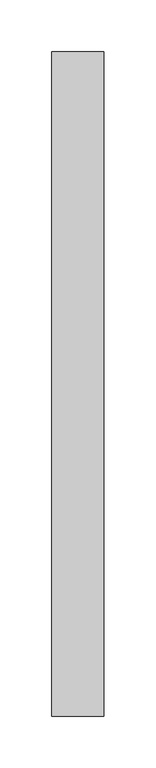
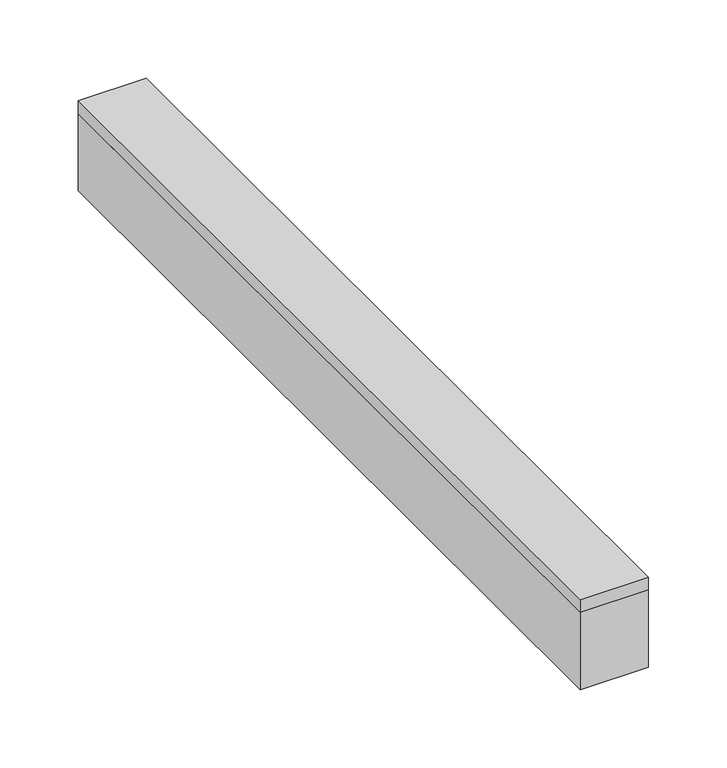
"""IFC4 building model written with IfcOpenShell, lengths in millimetres: proxy geometry."""

from ifc_helpers import new_model, si_unit, frame, origin, place, context, project, spatial, polyline, outline, extrude, source, transform, mapped, element, save


def specialty_equipment_1a9155c9(model_context):
    return source(origin(), model_context, "Body", "SweptSolid", [
        extrude(outline(polyline([(25.0, 320.0), (25.0, -320.0), (-25.0, -320.0), (-25.0, 320.0), (25.0, 320.0)])), frame((0.0, 0.0, -10.0), z_axis=(0.0, 0.0, 1.0), x_axis=(1.0, 0.0, 0.0)), (0.0, 0.0, 1.0), 10.0),
        extrude(outline(polyline([(25.0, 320.0), (25.0, -320.0), (-25.0, -320.0), (-25.0, 320.0), (25.0, 320.0)])), frame((0.0, 0.0, -70.0), z_axis=(0.0, 0.0, 1.0), x_axis=(1.0, 0.0, 0.0)), (0.0, 0.0, 1.0), 60.0),
    ])


if __name__ == "__main__":
    model = new_model("IFC4")
    model_context = context("Model", 3, world=origin())
    ifc_project = project(units=[si_unit("LENGTHUNIT", "METRE", prefix="MILLI")], contexts=[model_context])
    site = spatial("IfcSite", under=ifc_project)
    building = spatial("IfcBuilding", under=site)
    placement = place(None, origin())
    specialty_equipment_shape = specialty_equipment_1a9155c9(model_context)
    element("IfcBuildingElementProxy", 1, Name="Specialty Equipment", at=placement, inside=building, context=model_context, shape_type="MappedRepresentation", body=[
        mapped(specialty_equipment_shape, transform((0.0, 0.0, 0.0), x_axis=(1.0, 0.0, 0.0), y_axis=(0.0, 1.0, 0.0), z_axis=(0.0, 0.0, 1.0))),
    ])
    save(model, "model.ifc")
